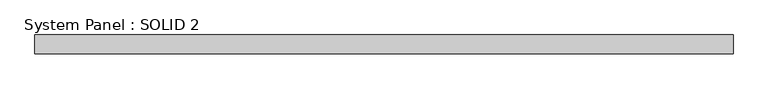
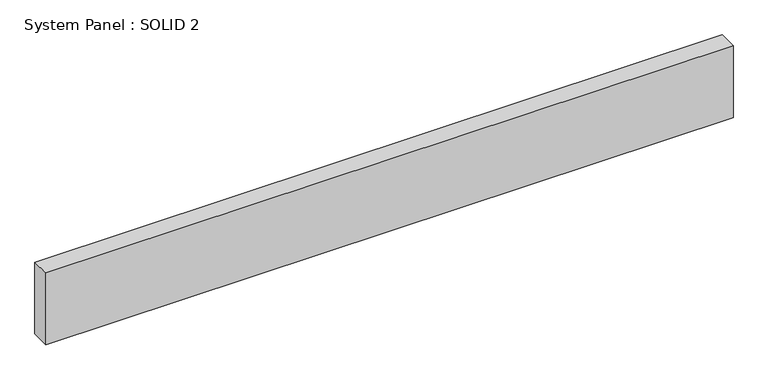
"""IFC4 building model written with IfcOpenShell, lengths in millimetres: plate geometry, System Panel : SOLID 2."""

from ifc_helpers import new_model, si_unit, origin, origin_with_axes, place, context, project, spatial, polyline, outline, extrude, source, transform, mapped, element, save


def system_panel_solid_2_a22f1ef5(model_context):
    return source(origin(), model_context, "Body", "SweptSolid", [
        extrude(outline(polyline([(1465.0, 80.0), (-1465.0, 80.0), (-1465.0, 160.0), (1465.0, 160.0), (1465.0, 80.0)])), origin_with_axes(), (0.0, 0.0, 1.0), 324.3333333),
    ])


if __name__ == "__main__":
    model = new_model("IFC4")
    model_context = context("Model", 3, world=origin())
    ifc_project = project(units=[si_unit("LENGTHUNIT", "METRE", prefix="MILLI")], contexts=[model_context])
    site = spatial("IfcSite", under=ifc_project)
    building = spatial("IfcBuilding", under=site)
    placement = place(None, origin())
    system_panel_solid_2_shape = system_panel_solid_2_a22f1ef5(model_context)
    element("IfcPlate", 1, ObjectType="System Panel : SOLID 2", at=placement, inside=building, context=model_context, shape_type="MappedRepresentation", body=[
        mapped(system_panel_solid_2_shape, transform((0.0, 0.0, 0.0), x_axis=(1.0, 0.0, 0.0), y_axis=(0.0, 1.0, 0.0), z_axis=(0.0, 0.0, 1.0))),
    ])
    save(model, "model.ifc")
